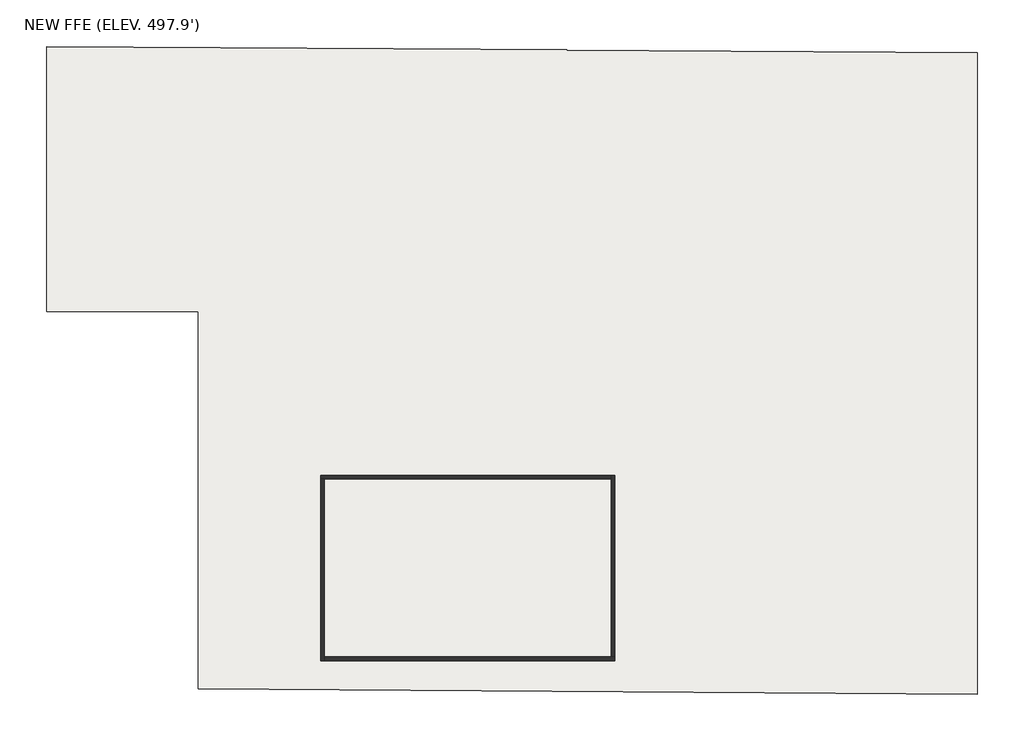
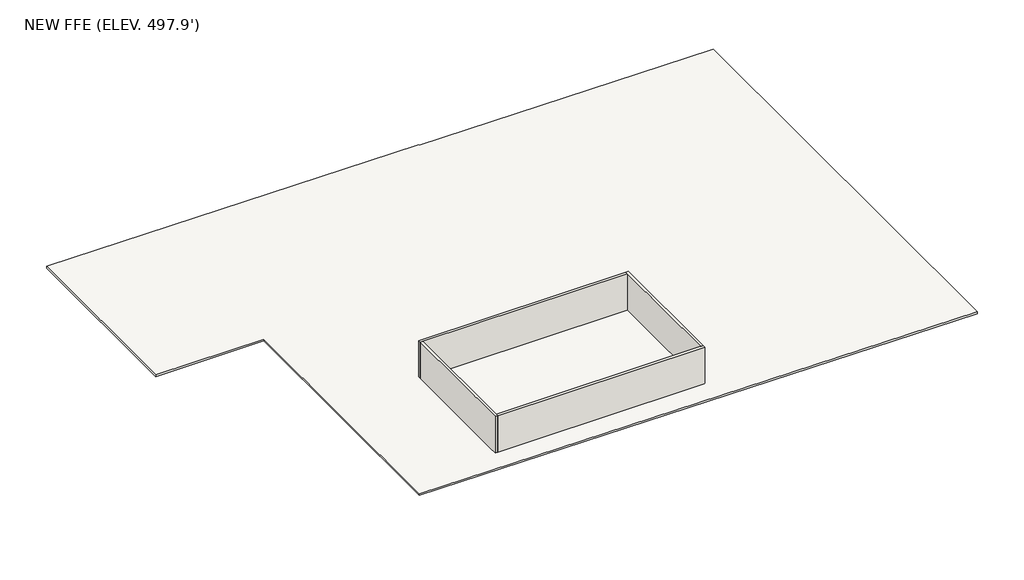
# One storey: 4 walls, 1 slab.
"""IFC4 building model written with IfcOpenShell, lengths in millimetres."""

from ifc_helpers import new_model, si_unit, frame, origin, place, context, project, spatial, polyline, outline, extrude, faceted_brep, element, save

model = new_model("IFC4")

# Units and contexts
model_context = context("Model", 3, world=origin())
ifc_project = project(units=[si_unit("LENGTHUNIT", "METRE", prefix="MILLI")], contexts=[model_context])

# Site, building, storey
site = spatial("IfcSite", under=ifc_project)
building = spatial("IfcBuilding", under=site)
storey = spatial("IfcBuildingStorey", under=building, Name="NEW FFE (ELEV. 497.9')", Elevation=0.0)

# Slab
placement = place(None, origin())
element("IfcSlab", 1, ObjectType="6\" Slab on Grade", at=placement, inside=storey, context=model_context, shape_type="SweptSolid", body=[
    extrude(outline(polyline([(70367.6561968, 38414.1762065), (26598.4836688, 38710.9017577), (26598.4836688, 59927.218318), (18089.1692937, 59927.218318), (18093.1311142, 74815.2819027), (47311.0055526, 74636.7575867), (47311.0055526, 74611.3571125), (70367.6561968, 74470.4785283), (70367.6561968, 38414.1762065)])), frame((0.0, 0.0, -152.4), z_axis=(0.0, 0.0, 1.0), x_axis=(1.0, 0.0, 0.0)), (0.0, 0.0, 1.0), 152.4),
])

# Walls
element("IfcWall", 2, ObjectType="8\" Conc. Wall", at=placement, inside=storey, context=model_context, shape_type="Brep", body=[
    faceted_brep([(33482.2007512, 50512.3637353, 0.0), (33685.4007512, 50512.3637353, 0.0), (49789.0007512, 50512.3637353, 0.0), (49789.0007512, 50512.3637353, 3048.0), (33685.4007512, 50512.3637353, 3048.0), (33482.2007512, 50512.3637353, 3048.0), (33482.2007512, 50715.5637353, 0.0), (33482.2007512, 50715.5637353, 3048.0), (49789.0007512, 50715.5637353, 3048.0), (49789.0007512, 50715.5637353, 0.0)], [[[0, 1, 2, 3, 4, 5]], [[6, 7, 8, 9]], [[2, 1, 0, 6, 9]], [[5, 4, 3, 8, 7]], [[0, 5, 7, 6]], [[3, 2, 9, 8]]]),
])
element("IfcWall", 3, ObjectType="8\" Conc. Wall", at=placement, inside=storey, context=model_context, shape_type="Brep", body=[
    faceted_brep([(33685.4007512, 40301.5637353, 0.0), (33685.4007512, 40504.7637353, 0.0), (33685.4007512, 50512.3637353, 0.0), (33685.4007512, 50512.3637353, 3048.0), (33685.4007512, 40504.7637353, 3048.0), (33685.4007512, 40301.5637353, 3048.0), (33482.2007512, 40301.5637353, 0.0), (33482.2007512, 40301.5637353, 3048.0), (33482.2007512, 50512.3637353, 3048.0), (33482.2007512, 50512.3637353, 0.0)], [[[0, 1, 2, 3, 4, 5]], [[6, 7, 8, 9]], [[2, 1, 0, 6, 9]], [[5, 4, 3, 8, 7]], [[0, 5, 7, 6]], [[3, 2, 9, 8]]]),
])
element("IfcWall", 4, ObjectType="8\" Conc. Wall", at=placement, inside=storey, context=model_context, shape_type="Brep", body=[
    faceted_brep([(49992.2007512, 40504.7637353, 0.0), (49789.0007512, 40504.7637353, 0.0), (33685.4007512, 40504.7637353, 0.0), (33685.4007512, 40504.7637353, 3048.0), (49789.0007512, 40504.7637353, 3048.0), (49992.2007512, 40504.7637353, 3048.0), (49992.2007512, 40301.5637353, 0.0), (49992.2007512, 40301.5637353, 3048.0), (33685.4007512, 40301.5637353, 3048.0), (33685.4007512, 40301.5637353, 0.0)], [[[0, 1, 2, 3, 4, 5]], [[6, 7, 8, 9]], [[2, 1, 0, 6, 9]], [[5, 4, 3, 8, 7]], [[0, 5, 7, 6]], [[3, 2, 9, 8]]]),
])
element("IfcWall", 5, ObjectType="8\" Conc. Wall", at=placement, inside=storey, context=model_context, shape_type="Brep", body=[
    faceted_brep([(49789.0007512, 50715.5637353, 0.0), (49789.0007512, 50512.3637353, 0.0), (49789.0007512, 40504.7637353, 0.0), (49789.0007512, 40504.7637353, 3048.0), (49789.0007512, 50512.3637353, 3048.0), (49789.0007512, 50715.5637353, 3048.0), (49992.2007512, 50715.5637353, 0.0), (49992.2007512, 50715.5637353, 3048.0), (49992.2007512, 40504.7637353, 3048.0), (49992.2007512, 40504.7637353, 0.0)], [[[0, 1, 2, 3, 4, 5]], [[6, 7, 8, 9]], [[2, 1, 0, 6, 9]], [[5, 4, 3, 8, 7]], [[0, 5, 7, 6]], [[3, 2, 9, 8]]]),
])

save(model, "model.ifc")
